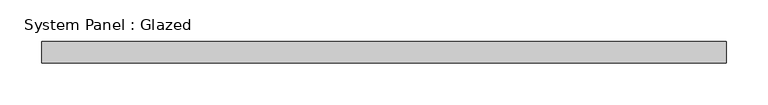
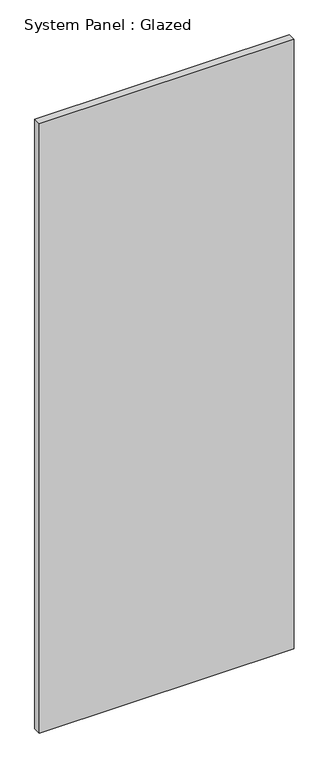
"""IFC4 building model written with IfcOpenShell, lengths in millimetres: plate geometry, System Panel : Glazed."""

from ifc_helpers import new_model, si_unit, origin, origin_with_axes, place, context, project, spatial, polyline, outline, extrude, source, transform, mapped, element, save


def system_panel_glazed_3f9f792b(model_context):
    return source(origin(), model_context, "Body", "SweptSolid", [
        extrude(outline(polyline([(409.575, 19.05), (-409.575, 19.05), (-409.575, 44.45), (409.575, 44.45), (409.575, 19.05)])), origin_with_axes(), (0.0, 0.0, 1.0), 2070.1),
    ])


if __name__ == "__main__":
    model = new_model("IFC4")
    model_context = context("Model", 3, world=origin())
    ifc_project = project(units=[si_unit("LENGTHUNIT", "METRE", prefix="MILLI")], contexts=[model_context])
    site = spatial("IfcSite", under=ifc_project)
    building = spatial("IfcBuilding", under=site)
    placement = place(None, origin())
    system_panel_glazed_shape = system_panel_glazed_3f9f792b(model_context)
    element("IfcPlate", 1, ObjectType="System Panel : Glazed", at=placement, inside=building, context=model_context, shape_type="MappedRepresentation", body=[
        mapped(system_panel_glazed_shape, transform((0.0, 0.0, 0.0), x_axis=(1.0, 0.0, 0.0), y_axis=(0.0, 1.0, 0.0), z_axis=(0.0, 0.0, 1.0))),
    ])
    save(model, "model.ifc")
